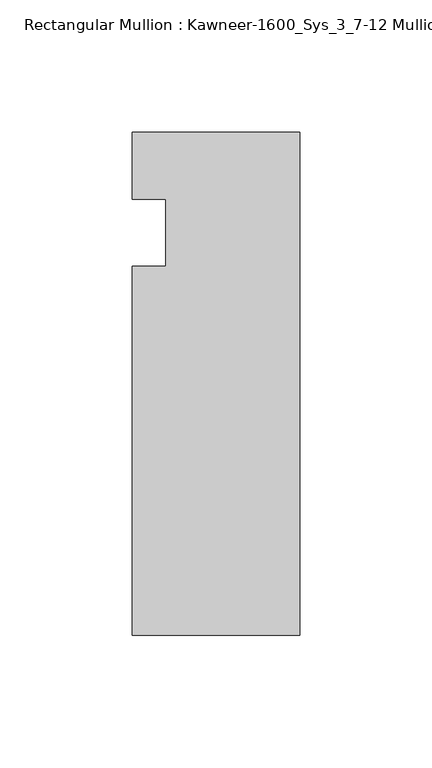
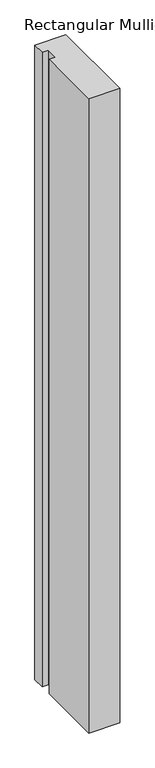
"""IFC4 building model written with IfcOpenShell, lengths in millimetres: member geometry, Rectangular Mullion : Kawneer-1600_Sys_3_7-12 Mullion_Head."""

from ifc_helpers import new_model, si_unit, frame, origin, place, context, project, spatial, polyline, outline, extrude, source, transform, mapped, element, save


def rectangular_mullion_kawneer_1600_sys_3_7_12_mullion_head_cbffa842(model_context):
    return source(origin(), model_context, "Body", "SweptSolid", [
        extrude(outline(polyline([(-63.5, -152.4), (-63.5, -12.7), (-50.7982296, -12.7), (-50.7982296, 12.7), (-63.5, 12.7), (-63.5, 38.1), (0.0, 38.1), (0.0, -152.4), (-63.5, -152.4)])), frame((0.0, 0.0, -1373.6155973), z_axis=(0.0, 0.0, 1.0), x_axis=(1.0, 0.0, 0.0)), (0.0, 0.0, 1.0), 1373.6155973),
    ])


if __name__ == "__main__":
    model = new_model("IFC4")
    model_context = context("Model", 3, world=origin())
    ifc_project = project(units=[si_unit("LENGTHUNIT", "METRE", prefix="MILLI")], contexts=[model_context])
    site = spatial("IfcSite", under=ifc_project)
    building = spatial("IfcBuilding", under=site)
    placement = place(None, origin())
    rectangular_mullion_kawneer_1600_sys_3_7_12_mullion_head_shape = rectangular_mullion_kawneer_1600_sys_3_7_12_mullion_head_cbffa842(model_context)
    element("IfcMember", 1, ObjectType="Rectangular Mullion : Kawneer-1600_Sys_3_7-12 Mullion_Head", at=placement, inside=building, context=model_context, shape_type="MappedRepresentation", body=[
        mapped(rectangular_mullion_kawneer_1600_sys_3_7_12_mullion_head_shape, transform((0.0, 0.0, 0.0), x_axis=(1.0, 0.0, 0.0), y_axis=(0.0, 1.0, 0.0), z_axis=(0.0, 0.0, 1.0))),
    ])
    save(model, "model.ifc")
